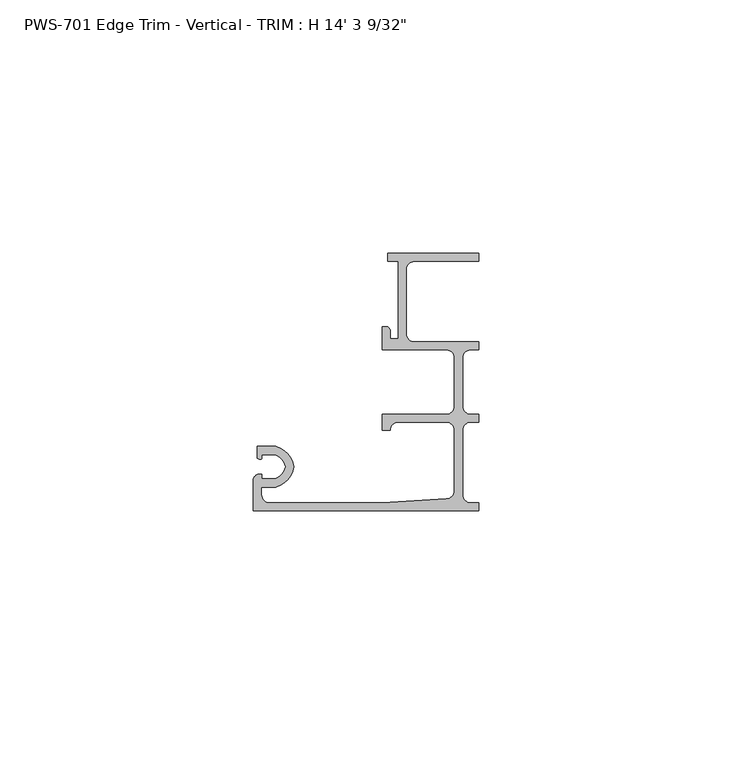
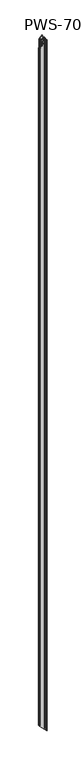
"""IFC4 building model written with IfcOpenShell, lengths in millimetres: proxy geometry."""

from ifc_helpers import new_model, si_unit, frame, origin, place, context, project, spatial, polyline, ellipse_curve, source, transform, mapped, element, save
from ifc_brep_helpers import plane_surface, cylinder_surface, revolved_surface, advanced_brep


def proxy_62b10b61(model_context):
    return source(origin(), model_context, "Body", "AdvancedBrep", [
        advanced_brep(
        [(26.9875, 15.875, 4333.08125), (26.9875, 15.875, 17.4625), (28.575, 17.4625, 15.875), (28.575, 17.4625, 4334.66875), (38.1, 17.4625, 6.35), (38.1, 17.4625, 4344.19375), (39.6875, 15.875, 4.7625), (39.6875, 15.875, 4345.78125), (39.6875, 3.97002, 4.7625), (39.6875, 3.97002, 4345.78125), (38.1, 2.38252, 6.35), (38.1, 2.38252, 4344.19375), (25.4, 1.5875, 19.05), (25.4, 1.5875, 4331.49375), (3.175, 1.5875, 41.275), (3.175, 1.5875, 4309.26875), (1.5875, 3.175, 42.8625), (1.5875, 3.175, 4307.68125), (1.5875, 4.699, 42.8625), (1.5875, 4.699, 4307.68125), (4.4357599, 4.699, 40.0142401), (4.4357599, 4.699, 4310.5295099), (7.9585261, 8.6995, 36.4914739), (7.9585261, 8.6995, 4314.0522761), (4.4357599, 12.7, 40.0142401), (4.4357599, 12.7, 4310.5295099), (0.762, 12.7, 43.688), (0.762, 12.7, 4306.85575), (0.762, 10.3627194, 43.688), (0.762, 10.3627194, 4306.85575), (1.6997088, 10.2659469, 42.7502912), (1.6997088, 10.2659469, 4307.7934588), (1.6997088, 11.1125, 42.7502912), (1.6997088, 11.1125, 4307.7934588), (4.207924, 11.1125, 40.242076), (4.207924, 11.1125, 4310.301674), (6.35, 8.6995, 38.1), (6.35, 8.6995, 4312.44375), (4.207924, 6.2865, 40.242076), (4.207924, 6.2865, 4310.301674), (1.6997088, 6.2865, 42.7502912), (1.6997088, 6.2865, 4307.7934588), (1.6997088, 7.1755, 42.7502912), (1.6997088, 7.1755, 4307.7934588), (0.9083659, 7.1755, 43.5416341), (0.9083659, 7.1755, 4307.0021159), (0.0, 6.0569064, 44.45), (0.0, 6.0569064, 4306.09375), (0.0, 0.0, 44.45), (0.0, 0.0, 4306.09375), (44.45, 0.0, 0.0), (44.45, 0.0, 4350.54375), (44.45, 1.5875, 0.0), (44.45, 1.5875, 4350.54375), (42.8625, 1.5875, 1.5875), (42.8625, 1.5875, 4348.95625), (41.275, 3.175, 3.175), (41.275, 3.175, 4347.36875), (41.275, 15.875, 3.175), (41.275, 15.875, 4347.36875), (42.8625, 17.4625, 1.5875), (42.8625, 17.4625, 4348.95625), (44.45, 17.4625, 0.0), (44.45, 17.4625, 4350.54375), (44.45, 19.05, 0.0), (44.45, 19.05, 4350.54375), (42.8625, 19.05, 1.5875), (42.8625, 19.05, 4348.95625), (41.275, 20.6375, 3.175), (41.275, 20.6375, 4347.36875), (41.275, 30.1625, 3.175), (41.275, 30.1625, 4347.36875), (42.8625, 31.75, 1.5875), (42.8625, 31.75, 4348.95625), (44.45, 31.75, 0.0), (44.45, 31.75, 4350.54375), (44.45, 33.3375, 0.0), (44.45, 33.3375, 4350.54375), (31.75, 33.3375, 12.7), (31.75, 33.3375, 4337.84375), (30.1625, 34.925, 14.2875), (30.1625, 34.925, 4336.25625), (30.1625, 47.625, 14.2875), (30.1625, 47.625, 4336.25625), (31.75, 49.2125, 12.7), (31.75, 49.2125, 4337.84375), (44.45, 49.2125, 0.0), (44.45, 49.2125, 4350.54375), (44.45, 50.8, 0.0), (44.45, 50.8, 4350.54375), (26.543, 50.8, 17.907), (26.543, 50.8, 4332.63675), (26.543, 49.2125, 17.907), (26.543, 49.2125, 4332.63675), (28.575, 49.2125, 15.875), (28.575, 49.2125, 4334.66875), (28.575, 33.9725, 15.875), (28.575, 33.9725, 4334.66875), (26.9875, 33.9725, 17.4625), (26.9875, 33.9725, 4333.08125), (26.9875, 35.55873, 17.4625), (26.9875, 35.55873, 4333.08125), (26.19248, 36.35375, 18.25752), (26.19248, 36.35375, 4332.28623), (25.4, 36.35375, 19.05), (25.4, 36.35375, 4331.49375), (25.4, 31.75, 19.05), (25.4, 31.75, 4331.49375), (38.1, 31.75, 6.35), (38.1, 31.75, 4344.19375), (39.6875, 30.1625, 4.7625), (39.6875, 30.1625, 4345.78125), (39.6875, 20.6375, 4.7625), (39.6875, 20.6375, 4345.78125), (38.1, 19.05, 6.35), (38.1, 19.05, 4344.19375), (25.4, 19.05, 19.05), (25.4, 19.05, 4331.49375), (25.4, 15.875, 19.05), (25.4, 15.875, 4331.49375)],
        [
            (0, 1),
            (1, 2, ellipse_curve(frame((28.575, 15.875, 15.875), z_axis=(-0.7071067811865491, 0.0, -0.7071067811865459), x_axis=(0.7071067811865459, 0.0, -0.707106781186549)), 2.245064, 1.5875)),
            (2, 3),
            (3, 0, ellipse_curve(frame((28.575, 15.875, 4334.66875), z_axis=(-0.7071067811865449, 0.0, 0.7071067811865501), x_axis=(-0.7071067811865501, 0.0, -0.7071067811865449)), 2.245064, 1.5875)),
            (2, 4),
            (4, 5),
            (5, 3),
            (4, 6, ellipse_curve(frame((38.1, 15.875, 6.35), z_axis=(-0.7071067811865491, 0.0, -0.7071067811865459), x_axis=(0.7071067811865459, 0.0, -0.707106781186549)), 2.245064, 1.5875)),
            (6, 7),
            (7, 5, ellipse_curve(frame((38.1, 15.875, 4344.19375), z_axis=(-0.7071067811865449, 0.0, 0.7071067811865501), x_axis=(-0.7071067811865501, 0.0, -0.7071067811865449)), 2.245064, 1.5875)),
            (6, 8),
            (8, 9),
            (9, 7),
            (8, 10, ellipse_curve(frame((38.1, 3.97002, 6.35), z_axis=(-0.7071067811865491, 0.0, -0.7071067811865459), x_axis=(0.7071067811865459, 0.0, -0.707106781186549)), 2.245064, 1.5875)),
            (10, 11),
            (11, 9, ellipse_curve(frame((38.1, 3.97002, 4344.19375), z_axis=(-0.7071067811865449, 0.0, 0.7071067811865501), x_axis=(-0.7071067811865501, 0.0, -0.7071067811865449)), 2.245064, 1.5875)),
            (10, 12),
            (12, 13),
            (13, 11),
            (12, 14),
            (14, 15),
            (15, 13),
            (14, 16, ellipse_curve(frame((3.175, 3.175, 41.275), z_axis=(-0.7071067811865491, 0.0, -0.7071067811865459), x_axis=(0.7071067811865459, 0.0, -0.707106781186549)), 2.245064, 1.5875)),
            (16, 17),
            (17, 15, ellipse_curve(frame((3.175, 3.175, 4309.26875), z_axis=(-0.7071067811865449, 0.0, 0.7071067811865501), x_axis=(-0.7071067811865501, 0.0, -0.7071067811865449)), 2.245064, 1.5875)),
            (16, 18),
            (18, 19),
            (19, 17),
            (18, 20),
            (20, 21),
            (21, 19),
            (20, 22, ellipse_curve(frame((3.2089841, 9.3305673, 41.2410159), z_axis=(0.7071067811865491, 0.0, 0.7071067811865459), x_axis=(-0.7071067811865459, 0.0, 0.707106781186549)), 6.7758977, 4.7912832)),
            (22, 23),
            (23, 21, ellipse_curve(frame((3.2089841, 9.3305673, 4309.3027341), z_axis=(0.7071067811865449, 0.0, -0.7071067811865501), x_axis=(0.7071067811865501, 0.0, 0.7071067811865449)), 6.7758977, 4.7912832)),
            (22, 24, ellipse_curve(frame((3.2089841, 8.0684327, 41.2410159), z_axis=(0.7071067811865491, 0.0, 0.7071067811865459), x_axis=(-0.7071067811865459, 0.0, 0.707106781186549)), 6.7758977, 4.7912832)),
            (24, 25),
            (25, 23, ellipse_curve(frame((3.2089841, 8.0684327, 4309.3027341), z_axis=(0.7071067811865449, 0.0, -0.7071067811865501), x_axis=(0.7071067811865501, 0.0, 0.7071067811865449)), 6.7758977, 4.7912832)),
            (24, 26),
            (26, 27),
            (27, 25),
            (26, 28),
            (28, 29),
            (29, 27),
            (28, 30, ellipse_curve(frame((1.3351034, 11.3244879, 43.1148966), z_axis=(0.7071067811865491, 0.0, 0.7071067811865459), x_axis=(-0.7071067811865459, 0.0, 0.707106781186549)), 1.583317, 1.1195742)),
            (30, 31),
            (31, 29, ellipse_curve(frame((1.3351034, 11.3244879, 4307.4288534), z_axis=(0.7071067811865449, 0.0, -0.7071067811865501), x_axis=(0.7071067811865501, 0.0, 0.7071067811865449)), 1.583317, 1.1195742)),
            (30, 32),
            (32, 33),
            (33, 31),
            (32, 34),
            (34, 35),
            (35, 33),
            (34, 36, ellipse_curve(frame((3.2089841, 8.0684327, 41.2410159), z_axis=(-0.7071067811865491, 0.0, -0.7071067811865459), x_axis=(0.7071067811865459, 0.0, -0.707106781186549)), 4.5308337, 3.2037832)),
            (36, 37),
            (37, 35, ellipse_curve(frame((3.2089841, 8.0684327, 4309.3027341), z_axis=(-0.7071067811865449, 0.0, 0.7071067811865501), x_axis=(-0.7071067811865501, 0.0, -0.7071067811865449)), 4.5308337, 3.2037832)),
            (36, 38, ellipse_curve(frame((3.2089841, 9.3305673, 41.2410159), z_axis=(-0.7071067811865491, 0.0, -0.7071067811865459), x_axis=(0.7071067811865459, 0.0, -0.707106781186549)), 4.5308337, 3.2037832)),
            (38, 39),
            (39, 37, ellipse_curve(frame((3.2089841, 9.3305673, 4309.3027341), z_axis=(-0.7071067811865449, 0.0, 0.7071067811865501), x_axis=(-0.7071067811865501, 0.0, -0.7071067811865449)), 4.5308337, 3.2037832)),
            (38, 40),
            (40, 41),
            (41, 39),
            (40, 42),
            (42, 43),
            (43, 41),
            (42, 44),
            (44, 45),
            (45, 43),
            (44, 46, ellipse_curve(frame((1.1429206, 6.0569064, 43.3070794), z_axis=(0.7071067811865491, 0.0, 0.7071067811865459), x_axis=(-0.7071067811865459, 0.0, 0.707106781186549)), 1.6163338, 1.1429206)),
            (46, 47),
            (47, 45, ellipse_curve(frame((1.1429206, 6.0569064, 4307.2366706), z_axis=(0.7071067811865449, 0.0, -0.7071067811865501), x_axis=(0.7071067811865501, 0.0, 0.7071067811865449)), 1.6163338, 1.1429206)),
            (46, 48),
            (48, 49),
            (49, 47),
            (50, 51),
            (51, 49),
            (48, 50),
            (50, 52),
            (52, 53),
            (53, 51),
            (52, 54),
            (54, 55),
            (55, 53),
            (54, 56, ellipse_curve(frame((42.8625, 3.175, 1.5875), z_axis=(-0.7071067811865491, 0.0, -0.7071067811865459), x_axis=(0.7071067811865459, 0.0, -0.707106781186549)), 2.245064, 1.5875)),
            (56, 57),
            (57, 55, ellipse_curve(frame((42.8625, 3.175, 4348.95625), z_axis=(-0.7071067811865449, 0.0, 0.7071067811865501), x_axis=(-0.7071067811865501, 0.0, -0.7071067811865449)), 2.245064, 1.5875)),
            (56, 58),
            (58, 59),
            (59, 57),
            (58, 60, ellipse_curve(frame((42.8625, 15.875, 1.5875), z_axis=(-0.7071067811865491, 0.0, -0.7071067811865459), x_axis=(0.7071067811865459, 0.0, -0.707106781186549)), 2.245064, 1.5875)),
            (60, 61),
            (61, 59, ellipse_curve(frame((42.8625, 15.875, 4348.95625), z_axis=(-0.7071067811865449, 0.0, 0.7071067811865501), x_axis=(-0.7071067811865501, 0.0, -0.7071067811865449)), 2.245064, 1.5875)),
            (62, 63),
            (63, 61),
            (60, 62),
            (62, 64),
            (64, 65),
            (65, 63),
            (64, 66),
            (66, 67),
            (67, 65),
            (66, 68, ellipse_curve(frame((42.8625, 20.6375, 1.5875), z_axis=(-0.7071067811865491, 0.0, -0.7071067811865459), x_axis=(0.7071067811865459, 0.0, -0.707106781186549)), 2.245064, 1.5875)),
            (68, 69),
            (69, 67, ellipse_curve(frame((42.8625, 20.6375, 4348.95625), z_axis=(-0.7071067811865449, 0.0, 0.7071067811865501), x_axis=(-0.7071067811865501, 0.0, -0.7071067811865449)), 2.245064, 1.5875)),
            (68, 70),
            (70, 71),
            (71, 69),
            (70, 72, ellipse_curve(frame((42.8625, 30.1625, 1.5875), z_axis=(-0.7071067811865491, 0.0, -0.7071067811865459), x_axis=(0.7071067811865459, 0.0, -0.707106781186549)), 2.245064, 1.5875)),
            (72, 73),
            (73, 71, ellipse_curve(frame((42.8625, 30.1625, 4348.95625), z_axis=(-0.7071067811865449, 0.0, 0.7071067811865501), x_axis=(-0.7071067811865501, 0.0, -0.7071067811865449)), 2.245064, 1.5875)),
            (74, 75),
            (75, 73),
            (72, 74),
            (74, 76),
            (76, 77),
            (77, 75),
            (76, 78),
            (78, 79),
            (79, 77),
            (78, 80, ellipse_curve(frame((31.75, 34.925, 12.7), z_axis=(-0.7071067811865491, 0.0, -0.7071067811865459), x_axis=(0.7071067811865459, 0.0, -0.707106781186549)), 2.245064, 1.5875)),
            (80, 81),
            (81, 79, ellipse_curve(frame((31.75, 34.925, 4337.84375), z_axis=(-0.7071067811865449, 0.0, 0.7071067811865501), x_axis=(-0.7071067811865501, 0.0, -0.7071067811865449)), 2.245064, 1.5875)),
            (80, 82),
            (82, 83),
            (83, 81),
            (82, 84, ellipse_curve(frame((31.75, 47.625, 12.7), z_axis=(-0.7071067811865491, 0.0, -0.7071067811865459), x_axis=(0.7071067811865459, 0.0, -0.707106781186549)), 2.245064, 1.5875)),
            (84, 85),
            (85, 83, ellipse_curve(frame((31.75, 47.625, 4337.84375), z_axis=(-0.7071067811865449, 0.0, 0.7071067811865501), x_axis=(-0.7071067811865501, 0.0, -0.7071067811865449)), 2.245064, 1.5875)),
            (86, 87),
            (87, 85),
            (84, 86),
            (86, 88),
            (88, 89),
            (89, 87),
            (88, 90),
            (90, 91),
            (91, 89),
            (90, 92),
            (92, 93),
            (93, 91),
            (92, 94),
            (94, 95),
            (95, 93),
            (94, 96),
            (96, 97),
            (97, 95),
            (96, 98),
            (98, 99),
            (99, 97),
            (98, 100),
            (100, 101),
            (101, 99),
            (100, 102, ellipse_curve(frame((26.19248, 35.55873, 18.25752), z_axis=(0.7071067811865491, 0.0, 0.7071067811865459), x_axis=(-0.7071067811865459, 0.0, 0.707106781186549)), 1.1243281, 0.79502)),
            (102, 103),
            (103, 101, ellipse_curve(frame((26.19248, 35.55873, 4332.28623), z_axis=(0.7071067811865449, 0.0, -0.7071067811865501), x_axis=(0.7071067811865501, 0.0, 0.7071067811865449)), 1.1243281, 0.79502)),
            (102, 104),
            (104, 105),
            (105, 103),
            (104, 106),
            (106, 107),
            (107, 105),
            (106, 108),
            (108, 109),
            (109, 107),
            (108, 110, ellipse_curve(frame((38.1, 30.1625, 6.35), z_axis=(-0.7071067811865491, 0.0, -0.7071067811865459), x_axis=(0.7071067811865459, 0.0, -0.707106781186549)), 2.245064, 1.5875)),
            (110, 111),
            (111, 109, ellipse_curve(frame((38.1, 30.1625, 4344.19375), z_axis=(-0.7071067811865449, 0.0, 0.7071067811865501), x_axis=(-0.7071067811865501, 0.0, -0.7071067811865449)), 2.245064, 1.5875)),
            (110, 112),
            (112, 113),
            (113, 111),
            (112, 114, ellipse_curve(frame((38.1, 20.6375, 6.35), z_axis=(-0.7071067811865491, 0.0, -0.7071067811865459), x_axis=(0.7071067811865459, 0.0, -0.707106781186549)), 2.245064, 1.5875)),
            (114, 115),
            (115, 113, ellipse_curve(frame((38.1, 20.6375, 4344.19375), z_axis=(-0.7071067811865449, 0.0, 0.7071067811865501), x_axis=(-0.7071067811865501, 0.0, -0.7071067811865449)), 2.245064, 1.5875)),
            (114, 116),
            (116, 117),
            (117, 115),
            (116, 118),
            (118, 119),
            (119, 117),
            (0, 119),
            (118, 1),
        ],
        [
            revolved_surface(polyline([(30.162499999999998, 15.875, 14.287500021402202), (30.162499999999998, 15.875, 4336.256249978597)]), (28.575, 15.875, 0.0), (0.0, 0.0, -1.0)),
            plane_surface(frame((28.575, 17.4625, 4350.54375), z_axis=(0.0, -1.0, 0.0), x_axis=(0.0, 0.0, -1.0))),
            revolved_surface(polyline([(39.6875, 15.875, 4.7625), (39.6875, 15.875, 4345.78125)]), (38.1, 15.875, 0.0), (0.0, 0.0, -1.0)),
            plane_surface(frame((39.6875, 15.875, 4350.54375), z_axis=(-1.0, 0.0, 0.0), x_axis=(0.0, 0.0, -1.0))),
            revolved_surface(polyline([(39.6875, 3.97002, 4.7625), (39.6875, 3.97002, 4345.78125)]), (38.1, 3.97002, 0.0), (0.0, 0.0, -1.0)),
            plane_surface(frame((38.1, 2.38252, 4350.54375), z_axis=(-0.062477702137024124, 0.9980463600132398, 0.0), x_axis=(0.0, 0.0, -1.0))),
            plane_surface(frame((25.4, 1.5875, 4350.54375), z_axis=(0.0, 1.0, 0.0), x_axis=(0.0, 0.0, -1.0))),
            revolved_surface(polyline([(4.762499999999999, 3.175, 39.6875000214022), (4.762499999999999, 3.175, 4310.856249978598)]), (3.175, 3.175, 0.0), (0.0, 0.0, -1.0)),
            plane_surface(frame((1.5875, 3.175, 4350.54375), z_axis=(1.0, 0.0, 0.0), x_axis=(0.0, 0.0, -1.0))),
            plane_surface(frame((1.5875, 4.699, 4350.54375), z_axis=(0.0, -1.0, 0.0), x_axis=(0.0, 0.0, -1.0))),
            cylinder_surface(frame((3.2089841, 9.3305673, 0.0), z_axis=(0.0, 0.0, 1.0), x_axis=(1.0, 0.0, 0.0)), 4.7912832),
            cylinder_surface(frame((3.2089841, 8.0684327, 0.0), z_axis=(0.0, 0.0, 1.0), x_axis=(1.0, 0.0, 0.0)), 4.7912832),
            plane_surface(frame((4.4357599, 12.7, 4350.54375), z_axis=(0.0, 1.0, 0.0), x_axis=(0.0, 0.0, -1.0))),
            plane_surface(frame((0.762, 12.7, 4350.54375), z_axis=(-1.0, 0.0, 0.0), x_axis=(0.0, 0.0, -1.0))),
            cylinder_surface(frame((1.3351034, 11.3244879, 0.0), z_axis=(0.0, 0.0, 1.0), x_axis=(1.0, 0.0, 0.0)), 1.1195742),
            plane_surface(frame((1.6997088, 10.2659469, 4350.54375), z_axis=(1.0, 0.0, 0.0), x_axis=(0.0, 0.0, -1.0))),
            plane_surface(frame((1.6997088, 11.1125, 4350.54375), z_axis=(4.504476212404173e-12, -1.0, 0.0), x_axis=(0.0, 0.0, -1.0))),
            revolved_surface(polyline([(6.4127673000000005, 8.0684327, 38.037232666301456), (6.4127673000000005, 8.0684327, 4312.506517333698)]), (3.2089841, 8.0684327, 0.0), (0.0, 0.0, -1.0)),
            revolved_surface(polyline([(6.4127673000000005, 9.3305673, 38.037232666301456), (6.4127673000000005, 9.3305673, 4312.506517333698)]), (3.2089841, 9.3305673, 0.0), (0.0, 0.0, -1.0)),
            plane_surface(frame((4.207924, 6.2865, 4350.54375), z_axis=(0.0, 1.0, 0.0), x_axis=(0.0, 0.0, -1.0))),
            plane_surface(frame((1.6997088, 6.2865, 4350.54375), z_axis=(1.0, 0.0, 0.0), x_axis=(0.0, 0.0, -1.0))),
            plane_surface(frame((1.6997088, 7.1755, 4350.54375), z_axis=(0.0, 1.0, 0.0), x_axis=(0.0, 0.0, -1.0))),
            cylinder_surface(frame((1.1429206, 6.0569064, 0.0), z_axis=(0.0, 0.0, 1.0), x_axis=(1.0, 0.0, 0.0)), 1.1429206),
            plane_surface(frame((0.0, 6.0569064, 4350.54375), z_axis=(-1.0, 0.0, 0.0), x_axis=(0.0, 0.0, -1.0))),
            plane_surface(frame((0.0, 0.0, 4350.54375), z_axis=(0.0, -1.0, 0.0), x_axis=(0.0, 0.0, -1.0))),
            plane_surface(frame((44.45, 0.0, 4350.54375), z_axis=(1.0, 0.0, 0.0), x_axis=(0.0, 0.0, -1.0))),
            plane_surface(frame((44.45, 1.5875, 4350.54375), z_axis=(0.0, 1.0, 0.0), x_axis=(0.0, 0.0, -1.0))),
            revolved_surface(polyline([(44.449999999999996, 3.175, 2.1402201344500327e-08), (44.449999999999996, 3.175, 4350.543749978598)]), (42.8625, 3.175, 0.0), (0.0, 0.0, -1.0)),
            plane_surface(frame((41.275, 3.175, 4350.54375), z_axis=(1.0, 0.0, 0.0), x_axis=(0.0, 0.0, -1.0))),
            revolved_surface(polyline([(44.449999999999996, 15.875, 2.1402201344500327e-08), (44.449999999999996, 15.875, 4350.543749978598)]), (42.8625, 15.875, 0.0), (0.0, 0.0, -1.0)),
            plane_surface(frame((42.8625, 17.4625, 4350.54375), z_axis=(0.0, -1.0, 0.0), x_axis=(0.0, 0.0, -1.0))),
            plane_surface(frame((44.45, 17.4625, 4350.54375), z_axis=(1.0, 0.0, 0.0), x_axis=(0.0, 0.0, -1.0))),
            plane_surface(frame((44.45, 19.05, 4350.54375), z_axis=(0.0, 1.0, 0.0), x_axis=(0.0, 0.0, -1.0))),
            revolved_surface(polyline([(44.449999999999996, 20.6375, 2.1402201344500327e-08), (44.449999999999996, 20.6375, 4350.543749978598)]), (42.8625, 20.6375, 0.0), (0.0, 0.0, -1.0)),
            plane_surface(frame((41.275, 20.6375, 4350.54375), z_axis=(1.0, 0.0, 0.0), x_axis=(0.0, 0.0, -1.0))),
            revolved_surface(polyline([(44.449999999999996, 30.1625, 2.1402201344500327e-08), (44.449999999999996, 30.1625, 4350.543749978598)]), (42.8625, 30.1625, 0.0), (0.0, 0.0, -1.0)),
            plane_surface(frame((42.8625, 31.75, 4350.54375), z_axis=(0.0, -1.0, 0.0), x_axis=(0.0, 0.0, -1.0))),
            plane_surface(frame((44.45, 31.75, 4350.54375), z_axis=(1.0, 0.0, 0.0), x_axis=(0.0, 0.0, -1.0))),
            plane_surface(frame((44.45, 33.3375, 4350.54375), z_axis=(0.0, 1.0, 0.0), x_axis=(0.0, 0.0, -1.0))),
            revolved_surface(polyline([(33.3375, 34.925, 11.112500021402202), (33.3375, 34.925, 4339.431249978597)]), (31.75, 34.925, 0.0), (0.0, 0.0, -1.0)),
            plane_surface(frame((30.1625, 34.925, 4350.54375), z_axis=(1.0, 0.0, 0.0), x_axis=(0.0, 0.0, -1.0))),
            revolved_surface(polyline([(33.3375, 47.625, 11.112500021402202), (33.3375, 47.625, 4339.431249978597)]), (31.75, 47.625, 0.0), (0.0, 0.0, -1.0)),
            plane_surface(frame((31.75, 49.2125, 4350.54375), z_axis=(0.0, -1.0, 0.0), x_axis=(0.0, 0.0, -1.0))),
            plane_surface(frame((44.45, 49.2125, 4350.54375), z_axis=(1.0, 0.0, 0.0), x_axis=(0.0, 0.0, -1.0))),
            plane_surface(frame((44.45, 50.8, 4350.54375), z_axis=(0.0, 1.0, 0.0), x_axis=(0.0, 0.0, -1.0))),
            plane_surface(frame((26.543, 50.8, 4350.54375), z_axis=(-1.0, 0.0, 0.0), x_axis=(0.0, 0.0, -1.0))),
            plane_surface(frame((26.543, 49.2125, 4350.54375), z_axis=(0.0, -1.0, 0.0), x_axis=(0.0, 0.0, -1.0))),
            plane_surface(frame((28.575, 49.2125, 4350.54375), z_axis=(-1.0, 0.0, 0.0), x_axis=(0.0, 0.0, -1.0))),
            plane_surface(frame((28.575, 33.9725, 4350.54375), z_axis=(0.0, 1.0, 0.0), x_axis=(0.0, 0.0, -1.0))),
            plane_surface(frame((26.9875, 33.9725, 4350.54375), z_axis=(1.0, 0.0, 0.0), x_axis=(0.0, 0.0, -1.0))),
            cylinder_surface(frame((26.19248, 35.55873, 0.0), z_axis=(0.0, 0.0, 1.0), x_axis=(1.0, 0.0, 0.0)), 0.79502),
            plane_surface(frame((26.19248, 36.35375, 4350.54375), z_axis=(0.0, 1.0, 0.0), x_axis=(0.0, 0.0, -1.0))),
            plane_surface(frame((25.4, 36.35375, 4350.54375), z_axis=(-1.0, 0.0, 0.0), x_axis=(0.0, 0.0, -1.0))),
            plane_surface(frame((25.4, 31.75, 4350.54375), z_axis=(0.0, -1.0, 0.0), x_axis=(0.0, 0.0, -1.0))),
            revolved_surface(polyline([(39.6875, 30.1625, 4.7625), (39.6875, 30.1625, 4345.78125)]), (38.1, 30.1625, 0.0), (0.0, 0.0, -1.0)),
            plane_surface(frame((39.6875, 30.1625, 4350.54375), z_axis=(-1.0, 0.0, 0.0), x_axis=(0.0, 0.0, -1.0))),
            revolved_surface(polyline([(39.6875, 20.6375, 4.7625), (39.6875, 20.6375, 4345.78125)]), (38.1, 20.6375, 0.0), (0.0, 0.0, -1.0)),
            plane_surface(frame((38.1, 19.05, 4350.54375), z_axis=(0.0, 1.0, 0.0), x_axis=(0.0, 0.0, -1.0))),
            plane_surface(frame((25.4, 19.05, 4350.54375), z_axis=(-1.0, 0.0, 0.0), x_axis=(0.0, 0.0, -1.0))),
            plane_surface(frame((25.4, 15.875, 4350.54375), z_axis=(0.0, -1.0, 0.0), x_axis=(0.0, 0.0, -1.0))),
            plane_surface(frame((44.45, 0.0, 0.0), z_axis=(-0.7071067811865491, 0.0, -0.7071067811865459), x_axis=(0.0, 1.0, 0.0))),
            plane_surface(frame((0.0, 0.0, 4306.09375), z_axis=(-0.7071067811865449, 0.0, 0.7071067811865501), x_axis=(0.0, 1.0, 0.0))),
        ],
        [
            (0, [[1, 2, 3, 4]]),
            (1, [[-3, 5, 6, 7]]),
            (2, [[-6, 8, 9, 10]]),
            (3, [[-9, 11, 12, 13]]),
            (4, [[-12, 14, 15, 16]]),
            (5, [[-15, 17, 18, 19]]),
            (6, [[-18, 20, 21, 22]]),
            (7, [[-21, 23, 24, 25]]),
            (8, [[-24, 26, 27, 28]]),
            (9, [[-27, 29, 30, 31]]),
            (10, [[-30, 32, 33, 34]]),
            (11, [[-33, 35, 36, 37]]),
            (12, [[-36, 38, 39, 40]]),
            (13, [[-39, 41, 42, 43]]),
            (14, [[-42, 44, 45, 46]]),
            (15, [[-45, 47, 48, 49]]),
            (16, [[-48, 50, 51, 52]]),
            (17, [[-51, 53, 54, 55]]),
            (18, [[-54, 56, 57, 58]]),
            (19, [[-57, 59, 60, 61]]),
            (20, [[-60, 62, 63, 64]]),
            (21, [[-63, 65, 66, 67]]),
            (22, [[-66, 68, 69, 70]]),
            (23, [[-69, 71, 72, 73]]),
            (24, [[74, 75, -72, 76]]),
            (25, [[-74, 77, 78, 79]]),
            (26, [[-78, 80, 81, 82]]),
            (27, [[-81, 83, 84, 85]]),
            (28, [[-84, 86, 87, 88]]),
            (29, [[-87, 89, 90, 91]]),
            (30, [[92, 93, -90, 94]]),
            (31, [[-92, 95, 96, 97]]),
            (32, [[-96, 98, 99, 100]]),
            (33, [[-99, 101, 102, 103]]),
            (34, [[-102, 104, 105, 106]]),
            (35, [[-105, 107, 108, 109]]),
            (36, [[110, 111, -108, 112]]),
            (37, [[-110, 113, 114, 115]]),
            (38, [[-114, 116, 117, 118]]),
            (39, [[-117, 119, 120, 121]]),
            (40, [[-120, 122, 123, 124]]),
            (41, [[-123, 125, 126, 127]]),
            (42, [[128, 129, -126, 130]]),
            (43, [[-128, 131, 132, 133]]),
            (44, [[-132, 134, 135, 136]]),
            (45, [[-135, 137, 138, 139]]),
            (46, [[-138, 140, 141, 142]]),
            (47, [[-141, 143, 144, 145]]),
            (48, [[-144, 146, 147, 148]]),
            (49, [[-147, 149, 150, 151]]),
            (50, [[-150, 152, 153, 154]]),
            (51, [[-153, 155, 156, 157]]),
            (52, [[-156, 158, 159, 160]]),
            (53, [[-159, 161, 162, 163]]),
            (54, [[-162, 164, 165, 166]]),
            (55, [[-165, 167, 168, 169]]),
            (56, [[-168, 170, 171, 172]]),
            (57, [[-171, 173, 174, 175]]),
            (58, [[-174, 176, 177, 178]]),
            (59, [[-1, 179, -177, 180]]),
            (60, [[-2, -180, -176, -173, -170, -167, -164, -161, -158, -155, -152, -149, -146, -143, -140, -137, -134, -131, -130, -125, -122, -119, -116, -113, -112, -107, -104, -101, -98, -95, -94, -89, -86, -83, -80, -77, -76, -71, -68, -65, -62, -59, -56, -53, -50, -47, -44, -41, -38, -35, -32, -29, -26, -23, -20, -17, -14, -11, -8, -5]]),
            (61, [[-4, -7, -10, -13, -16, -19, -22, -25, -28, -31, -34, -37, -40, -43, -46, -49, -52, -55, -58, -61, -64, -67, -70, -73, -75, -79, -82, -85, -88, -91, -93, -97, -100, -103, -106, -109, -111, -115, -118, -121, -124, -127, -129, -133, -136, -139, -142, -145, -148, -151, -154, -157, -160, -163, -166, -169, -172, -175, -178, -179]]),
        ],
    ),
    ])


if __name__ == "__main__":
    model = new_model("IFC4")
    model_context = context("Model", 3, world=origin())
    ifc_project = project(units=[si_unit("LENGTHUNIT", "METRE", prefix="MILLI")], contexts=[model_context])
    site = spatial("IfcSite", under=ifc_project)
    building = spatial("IfcBuilding", under=site)
    placement = place(None, origin())
    proxy_shape = proxy_62b10b61(model_context)
    element("IfcBuildingElementProxy", 1, Name="PWS-701 Edge Trim - Vertical - TRIM : H 14' 3 9/32\"", ObjectType="PWS-701 Edge Trim - Vertical - TRIM : H 14' 3 9/32\"", at=placement, inside=building, context=model_context, shape_type="MappedRepresentation", body=[
        mapped(proxy_shape, transform((0.0, 0.0, 0.0), x_axis=(1.0, 0.0, 0.0), y_axis=(0.0, 1.0, 0.0), z_axis=(0.0, 0.0, 1.0))),
    ])
    save(model, "model.ifc")
